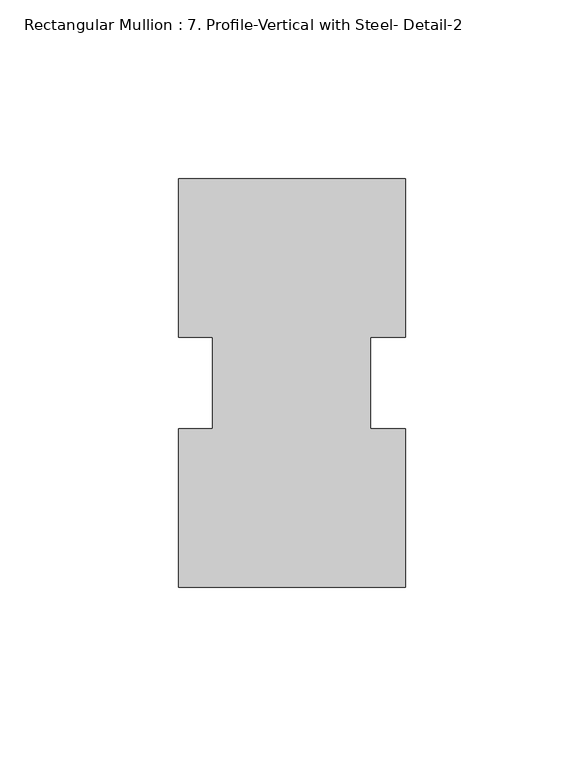
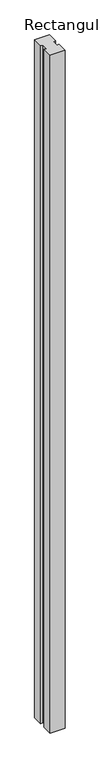
"""IFC4 building model written with IfcOpenShell, lengths in millimetres: member geometry, Rectangular Mullion : 7. Profile-Vertical with Steel- Detail-2."""

from ifc_helpers import new_model, si_unit, frame, origin, place, context, project, spatial, polyline, outline, extrude, source, transform, mapped, element, save


def rectangular_mullion_7_profile_vertical_with_steel_detail_2_1aecfcb4(model_context):
    return source(origin(), model_context, "Body", "SweptSolid", [
        extrude(outline(polyline([(30.5118787, 57.15), (30.5118787, 12.7549391), (20.6693787, 12.7549391), (20.6693787, -12.7327592), (30.5118787, -12.7327592), (30.5118787, -57.15), (-32.9881213, -57.15), (-32.9881213, -12.7327592), (-23.4631213, -12.7327592), (-23.4631213, 12.7549391), (-32.9881213, 12.7549391), (-32.9881213, 57.15), (30.5118787, 57.15)])), frame((0.0, 0.0, -3048.0), z_axis=(0.0, 0.0, 1.0), x_axis=(1.0, 0.0, 0.0)), (0.0, 0.0, 1.0), 3048.0),
    ])


if __name__ == "__main__":
    model = new_model("IFC4")
    model_context = context("Model", 3, world=origin())
    ifc_project = project(units=[si_unit("LENGTHUNIT", "METRE", prefix="MILLI")], contexts=[model_context])
    site = spatial("IfcSite", under=ifc_project)
    building = spatial("IfcBuilding", under=site)
    placement = place(None, origin())
    rectangular_mullion_7_profile_vertical_with_steel_detail_2_shape = rectangular_mullion_7_profile_vertical_with_steel_detail_2_1aecfcb4(model_context)
    element("IfcMember", 1, ObjectType="Rectangular Mullion : 7. Profile-Vertical with Steel- Detail-2", at=placement, inside=building, context=model_context, shape_type="MappedRepresentation", body=[
        mapped(rectangular_mullion_7_profile_vertical_with_steel_detail_2_shape, transform((0.0, 0.0, 0.0), x_axis=(1.0, 0.0, 0.0), y_axis=(0.0, 1.0, 0.0), z_axis=(0.0, 0.0, 1.0))),
    ])
    save(model, "model.ifc")
